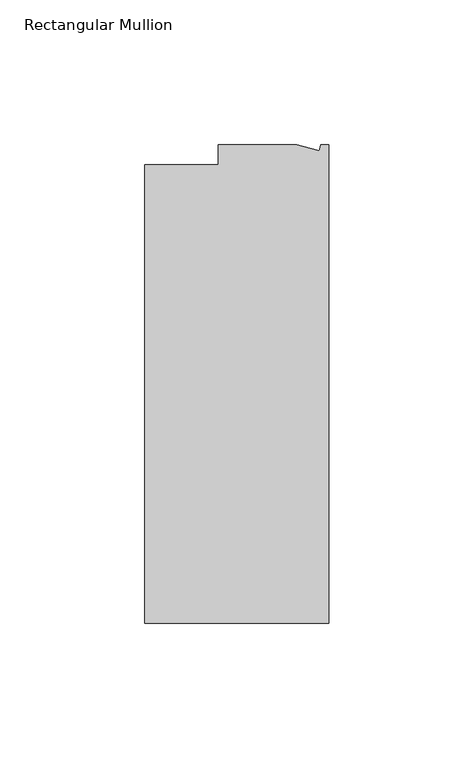
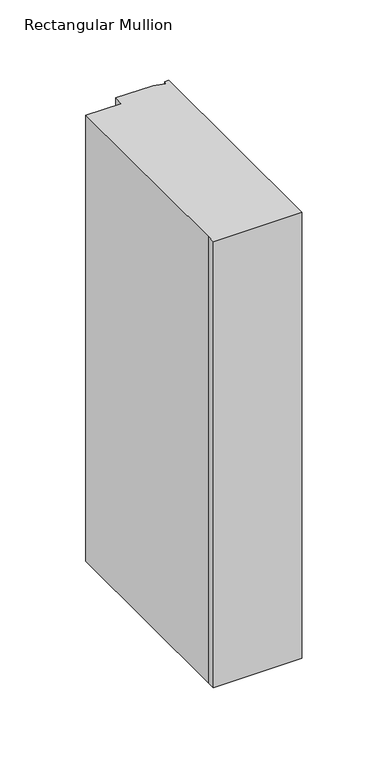
"""IFC4 building model written with IfcOpenShell, lengths in millimetres: member geometry, Rectangular Mullion."""

from ifc_helpers import new_model, si_unit, frame, origin, place, context, project, spatial, polyline, outline, extrude, source, transform, mapped, element, save


def rectangular_mullion_c4fb6363(model_context):
    return source(origin(), model_context, "Body", "SweptSolid", [
        extrude(outline(polyline([(0.0, -131.0674452), (-63.5, -131.0674452), (-63.5, -124.7174452), (-63.5, 27.0729548), (-38.1, 27.0729548), (-38.1, 34.0325548), (-11.1125, 34.0325548), (-3.3223696, 31.9451957), (-2.7630634, 34.0325548), (0.0, 34.0325548), (0.0, -131.0674452)])), frame((0.0, 0.0, -338.6666667), z_axis=(0.0, 0.0, 1.0), x_axis=(1.0, 0.0, 0.0)), (0.0, 0.0, 1.0), 338.6666667),
    ])


if __name__ == "__main__":
    model = new_model("IFC4")
    model_context = context("Model", 3, world=origin())
    ifc_project = project(units=[si_unit("LENGTHUNIT", "METRE", prefix="MILLI")], contexts=[model_context])
    site = spatial("IfcSite", under=ifc_project)
    building = spatial("IfcBuilding", under=site)
    placement = place(None, origin())
    rectangular_mullion_shape = rectangular_mullion_c4fb6363(model_context)
    element("IfcMember", 1, ObjectType="Rectangular Mullion", at=placement, inside=building, context=model_context, shape_type="MappedRepresentation", body=[
        mapped(rectangular_mullion_shape, transform((0.0, 0.0, 0.0), x_axis=(1.0, 0.0, 0.0), y_axis=(0.0, 1.0, 0.0), z_axis=(0.0, 0.0, 1.0))),
    ])
    save(model, "model.ifc")
